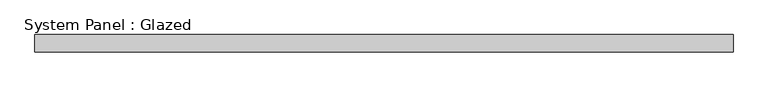
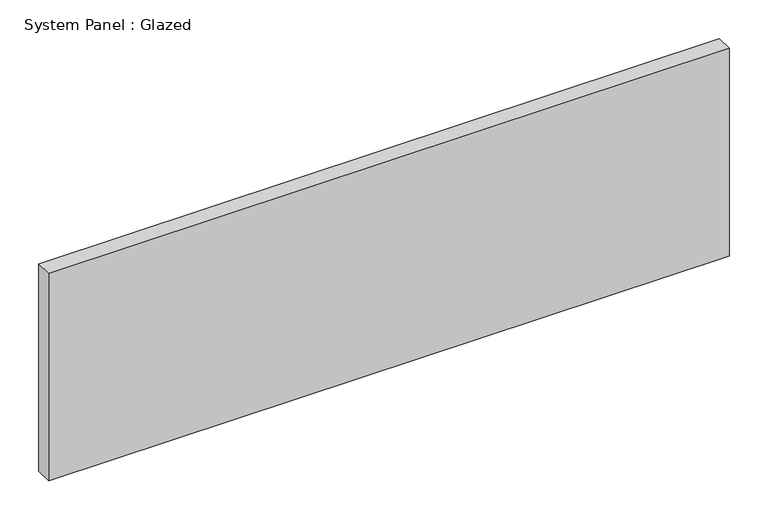
"""IFC4 building model written with IfcOpenShell, lengths in millimetres: plate geometry, System Panel : Glazed."""

from ifc_helpers import new_model, si_unit, origin, origin_with_axes, place, context, project, spatial, polyline, outline, extrude, source, transform, mapped, element, save


def system_panel_glazed_c4aff54d(model_context):
    return source(origin(), model_context, "Body", "SweptSolid", [
        extrude(outline(polyline([(508.0, -44.45), (-508.0, -44.45), (-508.0, -19.05), (508.0, -19.05), (508.0, -44.45)])), origin_with_axes(), (0.0, 0.0, 1.0), 327.4785714),
    ])


if __name__ == "__main__":
    model = new_model("IFC4")
    model_context = context("Model", 3, world=origin())
    ifc_project = project(units=[si_unit("LENGTHUNIT", "METRE", prefix="MILLI")], contexts=[model_context])
    site = spatial("IfcSite", under=ifc_project)
    building = spatial("IfcBuilding", under=site)
    placement = place(None, origin())
    system_panel_glazed_shape = system_panel_glazed_c4aff54d(model_context)
    element("IfcPlate", 1, ObjectType="System Panel : Glazed", at=placement, inside=building, context=model_context, shape_type="MappedRepresentation", body=[
        mapped(system_panel_glazed_shape, transform((0.0, 0.0, 0.0), x_axis=(1.0, 0.0, 0.0), y_axis=(0.0, 1.0, 0.0), z_axis=(0.0, 0.0, 1.0))),
    ])
    save(model, "model.ifc")
